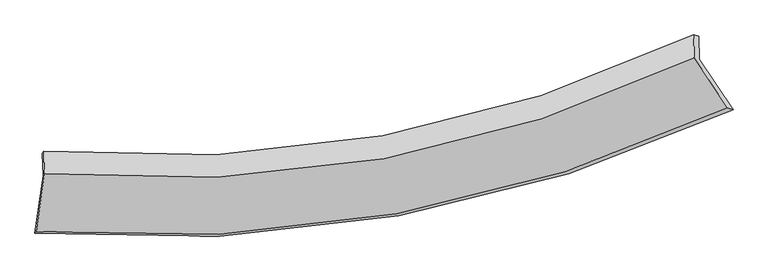
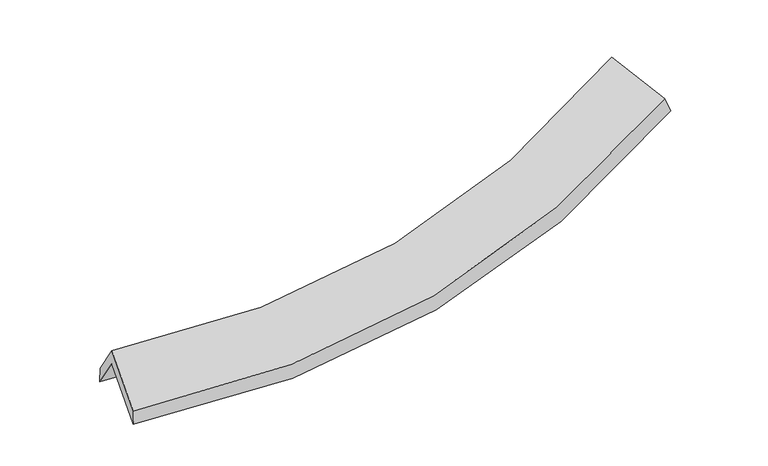
"""IFC4 building model written with IfcOpenShell, lengths in millimetres: proxy geometry."""

from ifc_helpers import new_model, si_unit, frame, origin, place, context, project, spatial, source, transform, mapped, element, save
from ifc_brep_helpers import plane_surface, spline_curve, spline_surface, advanced_brep


def generic_models_09ff3d12(model_context):
    return source(origin(), model_context, "Body", "AdvancedBrep", [
        advanced_brep(
        [(-3337.4763163, -2542.1501468, 1548.9169678), (-3258.8043287, -1985.5768866, 1904.4679016), (3092.2584443, -857.6258072, 2519.7814841), (3418.3456671, -1347.3909141, 2200.1090589), (-3264.7470082, -1764.0386491, 1558.990714), (3086.2386174, -633.2115795, 2169.8193415), (-3251.828519, -1747.357018, 1707.6871107), (3036.830262, -621.3476937, 2321.2688664), (-3245.9902608, -1965.0025122, 2047.0937706), (3042.7550389, -842.2185389, 2665.705291), (-3325.1368566, -2524.9334373, 1689.3978884), (3363.5140392, -1323.9809479, 2351.2562714)],
        [
            (0, 1),
            (1, 2, spline_curve(3, [(-3258.8043287, -1985.5768866, 1904.4679016), (-2120.805487406, -2071.091101658, 1816.777941206), (-1017.075655811, -2017.290355151, 1825.833473002), (1098.463124257, -1635.281250914, 2035.12227022), (2111.754217013, -1313.098304484, 2231.171265783), (3092.2584443, -857.6258072, 2519.7814841)], [4, 2, 4], [0.0, 11.222573234992415, 22.199774326481677])),
            (2, 3),
            (3, 0, spline_curve(3, [(3418.3456671, -1347.3909141, 2200.1090589), (2374.270327006, -1829.586858216, 1895.4558639), (1295.853927719, -2170.724169394, 1688.372571521), (-954.534331245, -2575.35386244, 1466.897851979), (-2128.058593092, -2632.46962905, 1456.917113948), (-3337.4763163, -2542.1501468, 1548.9169678)], [4, 2, 4], [0.0, 10.977201091489261, 22.199774326481677])),
            (1, 4),
            (4, 5, spline_curve(3, [(-3264.7470082, -1764.0386491, 1558.990714), (-2126.705708907, -1851.135666813, 1473.769050344), (-1022.961454573, -1797.872580823, 1483.663035887), (1092.550396859, -1414.859610486, 1691.386356609), (2105.801351519, -1091.180339681, 1885.101913741), (3086.2386174, -633.2115795, 2169.8193415)], [4, 2, 4], [0.0, 10.911792092599999, 21.585007010504125])),
            (5, 2),
            (4, 6),
            (6, 7, spline_curve(3, [(-3251.828519, -1747.357018, 1707.6871107), (-2122.852795417, -1840.593060852, 1629.112335762), (-1028.900582713, -1790.775963245, 1642.527558478), (1065.804234509, -1409.252433607, 1851.033403842), (2068.071615311, -1083.733089446, 2042.145432469), (3036.830262, -621.3476937, 2321.2688664)], [4, 2, 4], [0.0, 10.861981428795588, 21.486474751248082])),
            (7, 5),
            (6, 8),
            (8, 9, spline_curve(3, [(-3245.9902608, -1965.0025122, 2047.0937706), (-2116.988217343, -2059.219733223, 1970.049091391), (-1023.01562, -2010.162556065, 1984.649369842), (1071.717779676, -1629.704573786, 2194.816880043), (2073.993615796, -1304.5004267, 2386.42044144), (3042.7550389, -842.2185389, 2665.705291)], [4, 2, 4], [0.0, 10.812283463230933, 21.388165424419142])),
            (9, 7),
            (8, 10),
            (10, 11, spline_curve(3, [(-3325.1368566, -2524.9334373, 1689.3978884), (-2125.414879325, -2615.891855926, 1613.226445821), (-962.406921003, -2558.564450212, 1631.942529709), (1265.555486036, -2151.833550078, 1856.665903107), (2332.097826241, -1808.843459425, 2058.569279998), (3363.5140392, -1323.9809479, 2351.2562714)], [4, 2, 4], [0.0, 11.118058311170422, 21.993029609916746])),
            (11, 9),
            (10, 0),
            (3, 11),
        ],
        [
            spline_surface(3, 3, [[(-3337.4763163, -2542.1501468, 1548.9169678), (-2128.058593113, -2632.46962892, 1456.917113951), (-954.534331223, -2575.353862562, 1466.897851997), (1295.853927697, -2170.724169275, 1688.372571503), (2374.270326893, -1829.586858049, 1895.455863789), (3418.3456671, -1347.3909141, 2200.1090589)], [(-3311.25232041, -2356.625726737, 1667.433945751), (-2125.640891169, -2445.343453208, 1576.870723081), (-975.381439437, -2389.332693398, 1586.543059022), (1230.056993196, -1992.243196479, 1803.955804393), (2286.764956938, -1657.42400685, 2007.360997825), (3309.649926152, -1184.135878473, 2306.666533976)], [(-3285.02832459, -2171.101306663, 1785.950923649), (-2123.223189294, -2258.217277485, 1696.824332158), (-996.228547592, -2203.311524288, 1706.188266037), (1164.260058753, -1813.762223737, 1919.539037272), (2199.259587027, -1485.261155631, 2119.266131831), (3200.954185248, -1020.880842827, 2413.224009024)], [(-3258.8043287, -1985.5768866, 1904.4679016), (-2120.805487349, -2071.091101773, 1816.777941288), (-1017.075655806, -2017.290355124, 1825.833473062), (1098.463124252, -1635.28125094, 2035.122270161), (2111.754217071, -1313.098304432, 2231.171265867), (3092.2584443, -857.6258072, 2519.7814841)]], [4, 4], [4, 2, 4], [0.0, 2.177021741471162], [0.0, 11.222573234992415, 22.199774326481677]),
            spline_surface(3, 3, [[(-3258.8043287, -1985.5768866, 1904.4679016), (-2120.805487349, -2071.091101773, 1816.777941288), (-1017.075655806, -2017.290355124, 1825.833473062), (1098.463124252, -1635.28125094, 2035.122270161), (2111.754217071, -1313.098304432, 2231.171265867), (3092.2584443, -857.6258072, 2519.7814841)], [(-3260.785221879, -1911.730807437, 1789.308839059), (-2122.772227836, -1997.772623399, 1702.441644328), (-1019.037588778, -1944.151097001, 1711.776660624), (1096.49221517, -1561.80737079, 1920.543632335), (2109.769928546, -1239.12564956, 2115.81481519), (3090.251835337, -782.821064624, 2403.127436569)], [(-3262.766115021, -1837.884728263, 1674.149776541), (-2124.738968286, -1924.454145014, 1588.105347391), (-1020.999521751, -1871.011838909, 1597.719848217), (1094.521306087, -1488.333490672, 1805.964994541), (2107.785640011, -1165.152994716, 2000.458364505), (3088.245226363, -708.016322076, 2286.473389031)], [(-3264.7470082, -1764.0386491, 1558.990714), (-2126.705708773, -1851.13566664, 1473.769050432), (-1022.961454723, -1797.872580786, 1483.663035779), (1092.550397006, -1414.859610522, 1691.386356714), (2105.801351486, -1091.180339845, 1885.101913828), (3086.2386174, -633.2115795, 2169.8193415)]], [4, 4], [4, 2, 4], [0.0, 1.3367164985209026], [0.0, 10.911792092599999, 21.585007010504125]),
            spline_surface(3, 3, [[(-3264.7470082, -1764.0386491, 1558.990714), (-2126.705708773, -1851.13566664, 1473.769050432), (-1022.961454723, -1797.872580786, 1483.663035779), (1092.550397006, -1414.859610522, 1691.386356714), (2105.801351486, -1091.180339845, 1885.101913828), (3086.2386174, -633.2115795, 2169.8193415)], [(-3260.440845125, -1758.478105406, 1608.556179569), (-2125.421404317, -1847.621464691, 1525.550145521), (-1024.941163996, -1795.507041639, 1536.617876736), (1083.635009494, -1412.990551537, 1744.602039046), (2093.224772739, -1088.697923087, 1937.449753424), (3069.769165584, -629.25695089, 2220.302516468)], [(-3256.134682075, -1752.917561694, 1658.121645131), (-2124.137099884, -1844.107262725, 1577.331240603), (-1026.920873334, -1793.141502462, 1589.572717676), (1074.719621916, -1411.121492523, 1797.817721359), (2080.648194041, -1086.215506358, 1989.797593016), (3053.299713816, -625.30232231, 2270.785691432)], [(-3251.828519, -1747.357018, 1707.6871107), (-2122.852795428, -1840.593060776, 1629.112335693), (-1028.900582606, -1790.775963315, 1642.527558633), (1065.804234404, -1409.252433539, 1851.03340369), (2068.071615294, -1083.733089601, 2042.145432612), (3036.830262, -621.3476937, 2321.2688664)]], [4, 4], [4, 2, 4], [0.0, 0.5255439380892535], [0.0, 10.861981428795588, 21.486474751248082]),
            spline_surface(3, 3, [[(-3251.828519, -1747.357018, 1707.6871107), (-2122.852795428, -1840.593060776, 1629.112335693), (-1028.900582606, -1790.775963315, 1642.527558633), (1065.804234404, -1409.252433539, 1851.03340369), (2068.071615294, -1083.733089601, 2042.145432612), (3036.830262, -621.3476937, 2321.2688664)], [(-3249.882432944, -1819.905516058, 1820.822663999), (-2120.897936126, -1913.468618246, 1742.757920881), (-1026.938928445, -1863.904827568, 1756.568162381), (1067.775416201, -1482.736480305, 1965.627895818), (2070.045615435, -1157.322201917, 2156.90376892), (3038.805187664, -694.971308762, 2436.081007917)], [(-3247.936346856, -1892.454014142, 1933.958217301), (-2118.943076794, -1986.344175742, 1856.403506071), (-1024.977274283, -1937.033691791, 1870.608766096), (1069.746598, -1556.22052704, 2080.222387914), (2072.019615484, -1230.911314249, 2271.662105276), (3040.780113236, -768.594923838, 2550.893149483)], [(-3245.9902608, -1965.0025122, 2047.0937706), (-2116.988217492, -2059.219733211, 1970.049091259), (-1023.015620123, -2010.162556044, 1984.649369843), (1071.717779797, -1629.704573807, 2194.816880042), (2073.993615625, -1304.500426566, 2386.420441584), (3042.7550389, -842.2185389, 2665.705291)]], [4, 4], [4, 2, 4], [0.0, 1.3367075225038132], [0.0, 10.812283463230933, 21.388165424419142]),
            spline_surface(3, 3, [[(-3245.9902608, -1965.0025122, 2047.0937706), (-2116.988217492, -2059.219733211, 1970.049091259), (-1023.015620123, -2010.162556044, 1984.649369843), (1071.717779797, -1629.704573807, 2194.816880042), (2073.993615625, -1304.500426566, 2386.420441584), (3042.7550389, -842.2185389, 2665.705291)], [(-3272.372459385, -2151.64615389, 1927.861809872), (-2119.797104754, -2244.77710744, 1851.108209502), (-1002.81272043, -2192.96318739, 1867.080423198), (1136.330348515, -1803.747565955, 2082.099887682), (2160.0283525, -1472.614770929, 2277.136721067), (3149.67470565, -1002.806008585, 2560.888951137)], [(-3298.754658015, -2338.28979561, 1808.629849128), (-2122.60599206, -2430.334481697, 1732.167327727), (-982.609820675, -2375.763818713, 1749.511476528), (1200.942917297, -1977.79055808, 1969.382895297), (2246.063089427, -1640.729115236, 2167.853000539), (3256.59437245, -1163.393478215, 2456.072611263)], [(-3325.1368566, -2524.9334373, 1689.3978884), (-2125.414879321, -2615.891855926, 1613.22644597), (-962.406920981, -2558.564450058, 1631.942529883), (1265.555486015, -2151.833550228, 1856.665902937), (2332.097826303, -1808.843459599, 2058.569280022), (3363.5140392, -1323.9809479, 2351.2562714)]], [4, 4], [4, 2, 4], [0.0, 2.131442000585627], [0.0, 11.118058311170422, 21.993029609916746]),
            spline_surface(3, 3, [[(-3325.1368566, -2524.9334373, 1689.3978884), (-2125.414879321, -2615.891855926, 1613.22644597), (-962.406920981, -2558.564450058, 1631.942529883), (1265.555486015, -2151.833550228, 1856.665902937), (2332.097826303, -1808.843459599, 2058.569280022), (3363.5140392, -1323.9809479, 2351.2562714)], [(-3329.250009856, -2530.672340472, 1642.570914849), (-2126.296117275, -2621.417780263, 1561.123335279), (-959.782724377, -2564.160920894, 1576.927637236), (1275.654966595, -2158.130423245, 1800.568125775), (2346.155326514, -1815.757925748, 2004.198141276), (3381.791248514, -1331.784269966, 2300.873867232)], [(-3333.363163044, -2536.411243628, 1595.743941351), (-2127.17735516, -2626.943704584, 1509.020224642), (-957.158527827, -2569.757391726, 1521.912744643), (1285.754447118, -2164.427296259, 1744.470348666), (2360.212826682, -1822.6723919, 1949.827002534), (3400.068457786, -1339.587592034, 2250.491463068)], [(-3337.4763163, -2542.1501468, 1548.9169678), (-2128.058593113, -2632.46962892, 1456.917113951), (-954.534331223, -2575.353862562, 1466.897851997), (1295.853927697, -2170.724169275, 1688.372571503), (2374.270326893, -1829.586858049, 1895.455863789), (3418.3456671, -1347.3909141, 2200.1090589)]], [4, 4], [4, 2, 4], [0.0, 0.5532673087445659], [0.0, 11.512782355444251, 22.77384738856955]),
            plane_surface(frame((3173.3236782, -937.6292469, 2371.3233856), z_axis=(0.8732973921289608, 0.4167984516399449, 0.252251294568136), x_axis=(0.48697231866366836, -0.7314056883843981, -0.47739258462430634))),
            plane_surface(frame((-3280.6638816, -2088.1764417, 1742.7590588), z_axis=(-0.9928743568389472, 0.09181959126636435, 0.07595837143676042), x_axis=(0.08685547350556662, 0.12118565036344811, 0.9888226154716082))),
        ],
        [
            (0, [[1, 2, 3, 4]]),
            (1, [[5, 6, 7, -2]]),
            (2, [[8, 9, 10, -6]]),
            (3, [[11, 12, 13, -9]]),
            (4, [[14, 15, 16, -12]]),
            (5, [[17, -4, 18, -15]]),
            (6, [[-16, -18, -3, -7, -10, -13]]),
            (7, [[-17, -14, -11, -8, -5, -1]]),
        ],
    ),
    ])


if __name__ == "__main__":
    model = new_model("IFC4")
    model_context = context("Model", 3, world=origin())
    ifc_project = project(units=[si_unit("LENGTHUNIT", "METRE", prefix="MILLI")], contexts=[model_context])
    site = spatial("IfcSite", under=ifc_project)
    building = spatial("IfcBuilding", under=site)
    placement = place(None, origin())
    generic_models_shape = generic_models_09ff3d12(model_context)
    element("IfcBuildingElementProxy", 1, Name="Generic Models", at=placement, inside=building, context=model_context, shape_type="MappedRepresentation", body=[
        mapped(generic_models_shape, transform((0.0, 0.0, 0.0), x_axis=(1.0, 0.0, 0.0), y_axis=(0.0, 1.0, 0.0), z_axis=(0.0, 0.0, 1.0))),
    ])
    save(model, "model.ifc")
